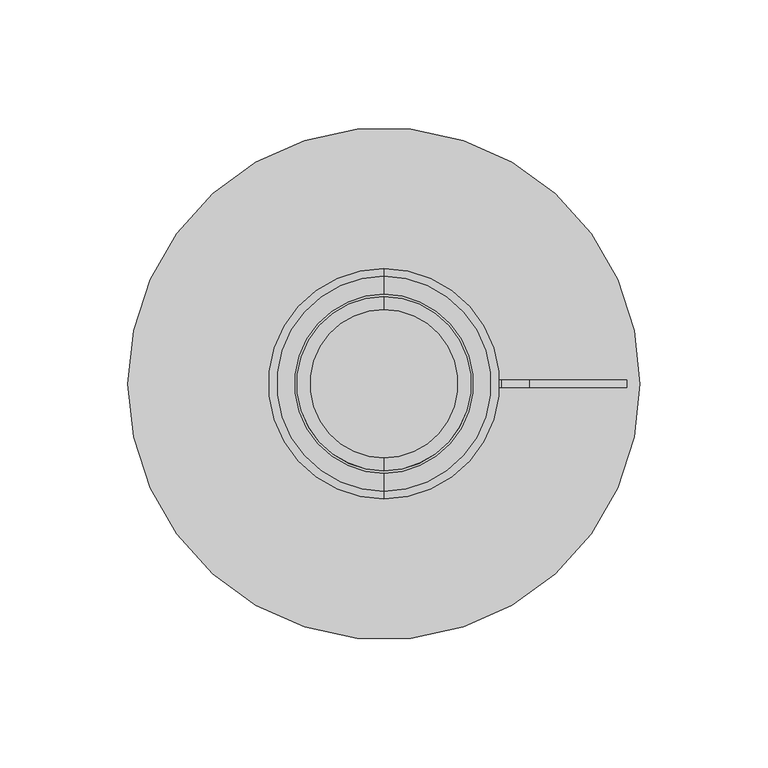
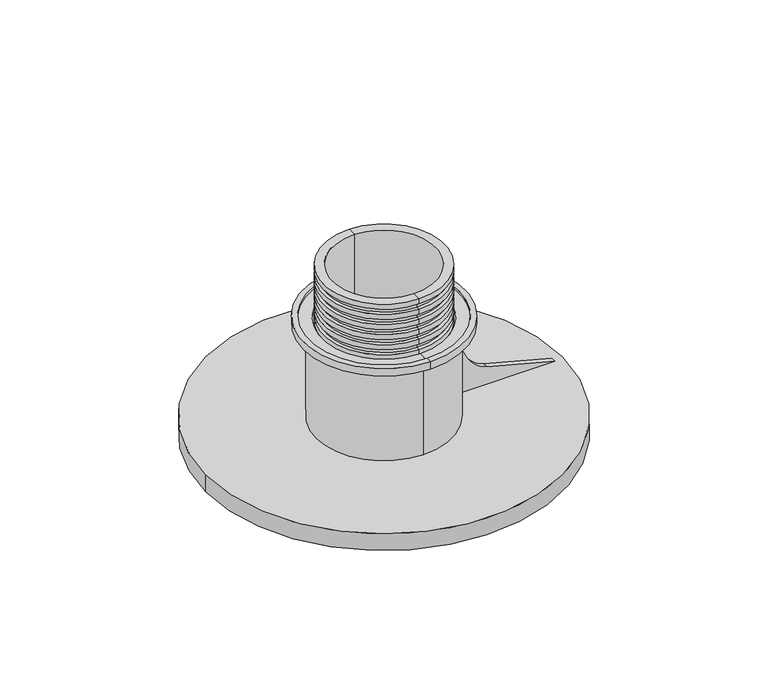
"""IFC4 building model written with IfcOpenShell, lengths in millimetres: proxy geometry."""

from ifc_helpers import new_model, si_unit, point, frame, frame_2d, origin, origin_with_axes, origin_2d, place, context, project, spatial, polyline, circle_curve, trimmed, segment, composite_curve, outline, extrude, source, transform, mapped, element, save
from ifc_brep_helpers import plane_surface, cylinder_surface, revolved_surface, advanced_brep


def generic_models_34566cc8(model_context):
    return source(origin(), model_context, "Body", "SolidModel", [
        advanced_brep(
        [(0.0, 34.0, 100.0), (0.0, -34.0, 100.0), (0.0, -29.0, 100.0), (0.0, 29.0, 100.0), (0.0, 34.0, 96.9707146), (0.0, -34.0, 96.9707146), (0.0, 32.0, 96.9707146), (0.0, -32.0, 96.9707146), (0.0, 32.0, 93.9707146), (0.0, -32.0, 93.9707146), (0.0, 34.0, 93.9707146), (0.0, -34.0, 93.9707146), (0.0, 34.0, 90.9707146), (0.0, -34.0, 90.9707146), (0.0, 32.0, 90.9707146), (0.0, -32.0, 90.9707146), (0.0, 32.0, 87.9707146), (0.0, -32.0, 87.9707146), (0.0, 34.0, 87.9707146), (0.0, -34.0, 87.9707146), (0.0, 34.0, 84.9707146), (0.0, -34.0, 84.9707146), (0.0, 32.0, 84.9707146), (0.0, -32.0, 84.9707146), (0.0, 32.0, 81.9707146), (0.0, -32.0, 81.9707146), (0.0, 34.0, 81.9707146), (0.0, -34.0, 81.9707146), (0.0, 34.0, 78.9707146), (0.0, -34.0, 78.9707146), (0.0, 32.0, 78.9707146), (0.0, -32.0, 78.9707146), (0.0, 32.0, 75.9707146), (0.0, -32.0, 75.9707146), (0.0, 34.0, 75.9707146), (0.0, -34.0, 75.9707146), (0.0, 34.0, 72.9707146), (0.0, -34.0, 72.9707146), (0.0, 32.0, 72.9707146), (0.0, -32.0, 72.9707146), (0.0, 32.0, 69.9707146), (0.0, -32.0, 69.9707146), (0.0, 34.0, 69.9707146), (0.0, -34.0, 69.9707146), (0.0, 34.0, 66.9707146), (0.0, -34.0, 66.9707146), (0.0, 32.0, 66.9707146), (0.0, -32.0, 66.9707146), (0.0, 32.0, 63.9707146), (0.0, -32.0, 63.9707146), (0.0, 34.0, 63.9707146), (0.0, -34.0, 63.9707146), (0.0, 34.0, 60.9707146), (0.0, -34.0, 60.9707146), (0.0, 32.0, 60.9707146), (0.0, -32.0, 60.9707146), (0.0, 32.0, 57.9707146), (0.0, -32.0, 57.9707146), (0.0, 34.0, 57.9707146), (0.0, -34.0, 57.9707146), (0.0, 34.0, 54.9707146), (0.0, -34.0, 54.9707146), (0.0, 32.0, 54.9707146), (0.0, -32.0, 54.9707146), (0.0, 32.0, 51.9707146), (0.0, -32.0, 51.9707146), (0.0, 34.0, 51.9707146), (0.0, -34.0, 51.9707146), (0.0, 34.0, 48.9707146), (0.0, -34.0, 48.9707146), (0.0, 32.0, 48.9707146), (0.0, -32.0, 48.9707146), (0.0, 32.0, 45.9707146), (0.0, -32.0, 45.9707146), (0.0, 34.0, 45.9707146), (0.0, -34.0, 45.9707146), (0.0, 34.0, 42.9707146), (0.0, -34.0, 42.9707146), (0.0, 32.0, 42.9707146), (0.0, -32.0, 42.9707146), (0.0, 32.0, 39.9707146), (0.0, -32.0, 39.9707146), (0.0, 34.0, 39.9707146), (0.0, -34.0, 39.9707146), (0.0, 34.0, 36.9707146), (0.0, -34.0, 36.9707146), (0.0, 32.0, 36.9707146), (0.0, -32.0, 36.9707146), (0.0, 32.0, 33.9707146), (0.0, -32.0, 33.9707146), (0.0, 34.0, 33.9707146), (0.0, -34.0, 33.9707146), (0.0, 34.0, 30.9707146), (0.0, -34.0, 30.9707146), (0.0, 32.0, 30.9707146), (0.0, -32.0, 30.9707146), (0.0, 32.0, 27.9707146), (0.0, -32.0, 27.9707146), (0.0, 34.0, 27.9707146), (0.0, -34.0, 27.9707146), (0.0, 34.0, 25.0), (0.0, -34.0, 25.0), (0.0, 29.0, 25.0), (0.0, -29.0, 25.0)],
        [
            (0, 1, circle_curve(frame((0.0, 0.0, 100.0), z_axis=(0.0, 0.0, 1.0), x_axis=(0.0, -1.0, 0.0)), 34.0)),
            (1, 2),
            (2, 3, circle_curve(frame((0.0, 0.0, 100.0), z_axis=(0.0, 0.0, -1.0), x_axis=(0.0, -1.0, 0.0)), 29.0)),
            (3, 0),
            (1, 0, circle_curve(frame((0.0, 0.0, 100.0), z_axis=(0.0, 0.0, 1.0), x_axis=(0.0, -1.0, 0.0)), 34.0)),
            (3, 2, circle_curve(frame((0.0, 0.0, 100.0), z_axis=(0.0, 0.0, -1.0), x_axis=(0.0, -1.0, 0.0)), 29.0)),
            (4, 5, circle_curve(frame((0.0, 0.0, 96.9707146), z_axis=(0.0, 0.0, 1.0), x_axis=(0.0, -1.0, 0.0)), 34.0)),
            (5, 1),
            (0, 4),
            (5, 4, circle_curve(frame((0.0, 0.0, 96.9707146), z_axis=(0.0, 0.0, 1.0), x_axis=(0.0, -1.0, 0.0)), 34.0)),
            (6, 7, circle_curve(frame((0.0, 0.0, 96.9707146), z_axis=(0.0, 0.0, 1.0), x_axis=(0.0, -1.0, 0.0)), 32.0)),
            (7, 5),
            (4, 6),
            (7, 6, circle_curve(frame((0.0, 0.0, 96.9707146), z_axis=(0.0, 0.0, 1.0), x_axis=(0.0, -1.0, 0.0)), 32.0)),
            (8, 9, circle_curve(frame((0.0, 0.0, 93.9707146), z_axis=(0.0, 0.0, 1.0), x_axis=(0.0, -1.0, 0.0)), 32.0)),
            (9, 7),
            (6, 8),
            (9, 8, circle_curve(frame((0.0, 0.0, 93.9707146), z_axis=(0.0, 0.0, 1.0), x_axis=(0.0, -1.0, 0.0)), 32.0)),
            (10, 11, circle_curve(frame((0.0, 0.0, 93.9707146), z_axis=(0.0, 0.0, 1.0), x_axis=(0.0, -1.0, 0.0)), 34.0)),
            (11, 9),
            (8, 10),
            (11, 10, circle_curve(frame((0.0, 0.0, 93.9707146), z_axis=(0.0, 0.0, 1.0), x_axis=(0.0, -1.0, 0.0)), 34.0)),
            (12, 13, circle_curve(frame((0.0, 0.0, 90.9707146), z_axis=(0.0, 0.0, 1.0), x_axis=(0.0, -1.0, 0.0)), 34.0)),
            (13, 11),
            (10, 12),
            (13, 12, circle_curve(frame((0.0, 0.0, 90.9707146), z_axis=(0.0, 0.0, 1.0), x_axis=(0.0, -1.0, 0.0)), 34.0)),
            (14, 15, circle_curve(frame((0.0, 0.0, 90.9707146), z_axis=(0.0, 0.0, 1.0), x_axis=(0.0, -1.0, 0.0)), 32.0)),
            (15, 13),
            (12, 14),
            (15, 14, circle_curve(frame((0.0, 0.0, 90.9707146), z_axis=(0.0, 0.0, 1.0), x_axis=(0.0, -1.0, 0.0)), 32.0)),
            (16, 17, circle_curve(frame((0.0, 0.0, 87.9707146), z_axis=(0.0, 0.0, 1.0), x_axis=(0.0, -1.0, 0.0)), 32.0)),
            (17, 15),
            (14, 16),
            (17, 16, circle_curve(frame((0.0, 0.0, 87.9707146), z_axis=(0.0, 0.0, 1.0), x_axis=(0.0, -1.0, 0.0)), 32.0)),
            (18, 19, circle_curve(frame((0.0, 0.0, 87.9707146), z_axis=(0.0, 0.0, 1.0), x_axis=(0.0, -1.0, 0.0)), 34.0)),
            (19, 17),
            (16, 18),
            (19, 18, circle_curve(frame((0.0, 0.0, 87.9707146), z_axis=(0.0, 0.0, 1.0), x_axis=(0.0, -1.0, 0.0)), 34.0)),
            (20, 21, circle_curve(frame((0.0, 0.0, 84.9707146), z_axis=(0.0, 0.0, 1.0), x_axis=(0.0, -1.0, 0.0)), 34.0)),
            (21, 19),
            (18, 20),
            (21, 20, circle_curve(frame((0.0, 0.0, 84.9707146), z_axis=(0.0, 0.0, 1.0), x_axis=(0.0, -1.0, 0.0)), 34.0)),
            (22, 23, circle_curve(frame((0.0, 0.0, 84.9707146), z_axis=(0.0, 0.0, 1.0), x_axis=(0.0, -1.0, 0.0)), 32.0)),
            (23, 21),
            (20, 22),
            (23, 22, circle_curve(frame((0.0, 0.0, 84.9707146), z_axis=(0.0, 0.0, 1.0), x_axis=(0.0, -1.0, 0.0)), 32.0)),
            (24, 25, circle_curve(frame((0.0, 0.0, 81.9707146), z_axis=(0.0, 0.0, 1.0), x_axis=(0.0, -1.0, 0.0)), 32.0)),
            (25, 23),
            (22, 24),
            (25, 24, circle_curve(frame((0.0, 0.0, 81.9707146), z_axis=(0.0, 0.0, 1.0), x_axis=(0.0, -1.0, 0.0)), 32.0)),
            (26, 27, circle_curve(frame((0.0, 0.0, 81.9707146), z_axis=(0.0, 0.0, 1.0), x_axis=(0.0, -1.0, 0.0)), 34.0)),
            (27, 25),
            (24, 26),
            (27, 26, circle_curve(frame((0.0, 0.0, 81.9707146), z_axis=(0.0, 0.0, 1.0), x_axis=(0.0, -1.0, 0.0)), 34.0)),
            (28, 29, circle_curve(frame((0.0, 0.0, 78.9707146), z_axis=(0.0, 0.0, 1.0), x_axis=(0.0, -1.0, 0.0)), 34.0)),
            (29, 27),
            (26, 28),
            (29, 28, circle_curve(frame((0.0, 0.0, 78.9707146), z_axis=(0.0, 0.0, 1.0), x_axis=(0.0, -1.0, 0.0)), 34.0)),
            (30, 31, circle_curve(frame((0.0, 0.0, 78.9707146), z_axis=(0.0, 0.0, 1.0), x_axis=(0.0, -1.0, 0.0)), 32.0)),
            (31, 29),
            (28, 30),
            (31, 30, circle_curve(frame((0.0, 0.0, 78.9707146), z_axis=(0.0, 0.0, 1.0), x_axis=(0.0, -1.0, 0.0)), 32.0)),
            (32, 33, circle_curve(frame((0.0, 0.0, 75.9707146), z_axis=(0.0, 0.0, 1.0), x_axis=(0.0, -1.0, 0.0)), 32.0)),
            (33, 31),
            (30, 32),
            (33, 32, circle_curve(frame((0.0, 0.0, 75.9707146), z_axis=(0.0, 0.0, 1.0), x_axis=(0.0, -1.0, 0.0)), 32.0)),
            (34, 35, circle_curve(frame((0.0, 0.0, 75.9707146), z_axis=(0.0, 0.0, 1.0), x_axis=(0.0, -1.0, 0.0)), 34.0)),
            (35, 33),
            (32, 34),
            (35, 34, circle_curve(frame((0.0, 0.0, 75.9707146), z_axis=(0.0, 0.0, 1.0), x_axis=(0.0, -1.0, 0.0)), 34.0)),
            (36, 37, circle_curve(frame((0.0, 0.0, 72.9707146), z_axis=(0.0, 0.0, 1.0), x_axis=(0.0, -1.0, 0.0)), 34.0)),
            (37, 35),
            (34, 36),
            (37, 36, circle_curve(frame((0.0, 0.0, 72.9707146), z_axis=(0.0, 0.0, 1.0), x_axis=(0.0, -1.0, 0.0)), 34.0)),
            (38, 39, circle_curve(frame((0.0, 0.0, 72.9707146), z_axis=(0.0, 0.0, 1.0), x_axis=(0.0, -1.0, 0.0)), 32.0)),
            (39, 37),
            (36, 38),
            (39, 38, circle_curve(frame((0.0, 0.0, 72.9707146), z_axis=(0.0, 0.0, 1.0), x_axis=(0.0, -1.0, 0.0)), 32.0)),
            (40, 41, circle_curve(frame((0.0, 0.0, 69.9707146), z_axis=(0.0, 0.0, 1.0), x_axis=(0.0, -1.0, 0.0)), 32.0)),
            (41, 39),
            (38, 40),
            (41, 40, circle_curve(frame((0.0, 0.0, 69.9707146), z_axis=(0.0, 0.0, 1.0), x_axis=(0.0, -1.0, 0.0)), 32.0)),
            (42, 43, circle_curve(frame((0.0, 0.0, 69.9707146), z_axis=(0.0, 0.0, 1.0), x_axis=(0.0, -1.0, 0.0)), 34.0)),
            (43, 41),
            (40, 42),
            (43, 42, circle_curve(frame((0.0, 0.0, 69.9707146), z_axis=(0.0, 0.0, 1.0), x_axis=(0.0, -1.0, 0.0)), 34.0)),
            (44, 45, circle_curve(frame((0.0, 0.0, 66.9707146), z_axis=(0.0, 0.0, 1.0), x_axis=(0.0, -1.0, 0.0)), 34.0)),
            (45, 43),
            (42, 44),
            (45, 44, circle_curve(frame((0.0, 0.0, 66.9707146), z_axis=(0.0, 0.0, 1.0), x_axis=(0.0, -1.0, 0.0)), 34.0)),
            (46, 47, circle_curve(frame((0.0, 0.0, 66.9707146), z_axis=(0.0, 0.0, 1.0), x_axis=(0.0, -1.0, 0.0)), 32.0)),
            (47, 45),
            (44, 46),
            (47, 46, circle_curve(frame((0.0, 0.0, 66.9707146), z_axis=(0.0, 0.0, 1.0), x_axis=(0.0, -1.0, 0.0)), 32.0)),
            (48, 49, circle_curve(frame((0.0, 0.0, 63.9707146), z_axis=(0.0, 0.0, 1.0), x_axis=(0.0, -1.0, 0.0)), 32.0)),
            (49, 47),
            (46, 48),
            (49, 48, circle_curve(frame((0.0, 0.0, 63.9707146), z_axis=(0.0, 0.0, 1.0), x_axis=(0.0, -1.0, 0.0)), 32.0)),
            (50, 51, circle_curve(frame((0.0, 0.0, 63.9707146), z_axis=(0.0, 0.0, 1.0), x_axis=(0.0, -1.0, 0.0)), 34.0)),
            (51, 49),
            (48, 50),
            (51, 50, circle_curve(frame((0.0, 0.0, 63.9707146), z_axis=(0.0, 0.0, 1.0), x_axis=(0.0, -1.0, 0.0)), 34.0)),
            (52, 53, circle_curve(frame((0.0, 0.0, 60.9707146), z_axis=(0.0, 0.0, 1.0), x_axis=(0.0, -1.0, 0.0)), 34.0)),
            (53, 51),
            (50, 52),
            (53, 52, circle_curve(frame((0.0, 0.0, 60.9707146), z_axis=(0.0, 0.0, 1.0), x_axis=(0.0, -1.0, 0.0)), 34.0)),
            (54, 55, circle_curve(frame((0.0, 0.0, 60.9707146), z_axis=(0.0, 0.0, 1.0), x_axis=(0.0, -1.0, 0.0)), 32.0)),
            (55, 53),
            (52, 54),
            (55, 54, circle_curve(frame((0.0, 0.0, 60.9707146), z_axis=(0.0, 0.0, 1.0), x_axis=(0.0, -1.0, 0.0)), 32.0)),
            (56, 57, circle_curve(frame((0.0, 0.0, 57.9707146), z_axis=(0.0, 0.0, 1.0), x_axis=(0.0, -1.0, 0.0)), 32.0)),
            (57, 55),
            (54, 56),
            (57, 56, circle_curve(frame((0.0, 0.0, 57.9707146), z_axis=(0.0, 0.0, 1.0), x_axis=(0.0, -1.0, 0.0)), 32.0)),
            (58, 59, circle_curve(frame((0.0, 0.0, 57.9707146), z_axis=(0.0, 0.0, 1.0), x_axis=(0.0, -1.0, 0.0)), 34.0)),
            (59, 57),
            (56, 58),
            (59, 58, circle_curve(frame((0.0, 0.0, 57.9707146), z_axis=(0.0, 0.0, 1.0), x_axis=(0.0, -1.0, 0.0)), 34.0)),
            (60, 61, circle_curve(frame((0.0, 0.0, 54.9707146), z_axis=(0.0, 0.0, 1.0), x_axis=(0.0, -1.0, 0.0)), 34.0)),
            (61, 59),
            (58, 60),
            (61, 60, circle_curve(frame((0.0, 0.0, 54.9707146), z_axis=(0.0, 0.0, 1.0), x_axis=(0.0, -1.0, 0.0)), 34.0)),
            (62, 63, circle_curve(frame((0.0, 0.0, 54.9707146), z_axis=(0.0, 0.0, 1.0), x_axis=(0.0, -1.0, 0.0)), 32.0)),
            (63, 61),
            (60, 62),
            (63, 62, circle_curve(frame((0.0, 0.0, 54.9707146), z_axis=(0.0, 0.0, 1.0), x_axis=(0.0, -1.0, 0.0)), 32.0)),
            (64, 65, circle_curve(frame((0.0, 0.0, 51.9707146), z_axis=(0.0, 0.0, 1.0), x_axis=(0.0, -1.0, 0.0)), 32.0)),
            (65, 63),
            (62, 64),
            (65, 64, circle_curve(frame((0.0, 0.0, 51.9707146), z_axis=(0.0, 0.0, 1.0), x_axis=(0.0, -1.0, 0.0)), 32.0)),
            (66, 67, circle_curve(frame((0.0, 0.0, 51.9707146), z_axis=(0.0, 0.0, 1.0), x_axis=(0.0, -1.0, 0.0)), 34.0)),
            (67, 65),
            (64, 66),
            (67, 66, circle_curve(frame((0.0, 0.0, 51.9707146), z_axis=(0.0, 0.0, 1.0), x_axis=(0.0, -1.0, 0.0)), 34.0)),
            (68, 69, circle_curve(frame((0.0, 0.0, 48.9707146), z_axis=(0.0, 0.0, 1.0), x_axis=(0.0, -1.0, 0.0)), 34.0)),
            (69, 67),
            (66, 68),
            (69, 68, circle_curve(frame((0.0, 0.0, 48.9707146), z_axis=(0.0, 0.0, 1.0), x_axis=(0.0, -1.0, 0.0)), 34.0)),
            (70, 71, circle_curve(frame((0.0, 0.0, 48.9707146), z_axis=(0.0, 0.0, 1.0), x_axis=(0.0, -1.0, 0.0)), 32.0)),
            (71, 69),
            (68, 70),
            (71, 70, circle_curve(frame((0.0, 0.0, 48.9707146), z_axis=(0.0, 0.0, 1.0), x_axis=(0.0, -1.0, 0.0)), 32.0)),
            (72, 73, circle_curve(frame((0.0, 0.0, 45.9707146), z_axis=(0.0, 0.0, 1.0), x_axis=(0.0, -1.0, 0.0)), 32.0)),
            (73, 71),
            (70, 72),
            (73, 72, circle_curve(frame((0.0, 0.0, 45.9707146), z_axis=(0.0, 0.0, 1.0), x_axis=(0.0, -1.0, 0.0)), 32.0)),
            (74, 75, circle_curve(frame((0.0, 0.0, 45.9707146), z_axis=(0.0, 0.0, 1.0), x_axis=(0.0, -1.0, 0.0)), 34.0)),
            (75, 73),
            (72, 74),
            (75, 74, circle_curve(frame((0.0, 0.0, 45.9707146), z_axis=(0.0, 0.0, 1.0), x_axis=(0.0, -1.0, 0.0)), 34.0)),
            (76, 77, circle_curve(frame((0.0, 0.0, 42.9707146), z_axis=(0.0, 0.0, 1.0), x_axis=(0.0, -1.0, 0.0)), 34.0)),
            (77, 75),
            (74, 76),
            (77, 76, circle_curve(frame((0.0, 0.0, 42.9707146), z_axis=(0.0, 0.0, 1.0), x_axis=(0.0, -1.0, 0.0)), 34.0)),
            (78, 79, circle_curve(frame((0.0, 0.0, 42.9707146), z_axis=(0.0, 0.0, 1.0), x_axis=(0.0, -1.0, 0.0)), 32.0)),
            (79, 77),
            (76, 78),
            (79, 78, circle_curve(frame((0.0, 0.0, 42.9707146), z_axis=(0.0, 0.0, 1.0), x_axis=(0.0, -1.0, 0.0)), 32.0)),
            (80, 81, circle_curve(frame((0.0, 0.0, 39.9707146), z_axis=(0.0, 0.0, 1.0), x_axis=(0.0, -1.0, 0.0)), 32.0)),
            (81, 79),
            (78, 80),
            (81, 80, circle_curve(frame((0.0, 0.0, 39.9707146), z_axis=(0.0, 0.0, 1.0), x_axis=(0.0, -1.0, 0.0)), 32.0)),
            (82, 83, circle_curve(frame((0.0, 0.0, 39.9707146), z_axis=(0.0, 0.0, 1.0), x_axis=(0.0, -1.0, 0.0)), 34.0)),
            (83, 81),
            (80, 82),
            (83, 82, circle_curve(frame((0.0, 0.0, 39.9707146), z_axis=(0.0, 0.0, 1.0), x_axis=(0.0, -1.0, 0.0)), 34.0)),
            (84, 85, circle_curve(frame((0.0, 0.0, 36.9707146), z_axis=(0.0, 0.0, 1.0), x_axis=(0.0, -1.0, 0.0)), 34.0)),
            (85, 83),
            (82, 84),
            (85, 84, circle_curve(frame((0.0, 0.0, 36.9707146), z_axis=(0.0, 0.0, 1.0), x_axis=(0.0, -1.0, 0.0)), 34.0)),
            (86, 87, circle_curve(frame((0.0, 0.0, 36.9707146), z_axis=(0.0, 0.0, 1.0), x_axis=(0.0, -1.0, 0.0)), 32.0)),
            (87, 85),
            (84, 86),
            (87, 86, circle_curve(frame((0.0, 0.0, 36.9707146), z_axis=(0.0, 0.0, 1.0), x_axis=(0.0, -1.0, 0.0)), 32.0)),
            (88, 89, circle_curve(frame((0.0, 0.0, 33.9707146), z_axis=(0.0, 0.0, 1.0), x_axis=(0.0, -1.0, 0.0)), 32.0)),
            (89, 87),
            (86, 88),
            (89, 88, circle_curve(frame((0.0, 0.0, 33.9707146), z_axis=(0.0, 0.0, 1.0), x_axis=(0.0, -1.0, 0.0)), 32.0)),
            (90, 91, circle_curve(frame((0.0, 0.0, 33.9707146), z_axis=(0.0, 0.0, 1.0), x_axis=(0.0, -1.0, 0.0)), 34.0)),
            (91, 89),
            (88, 90),
            (91, 90, circle_curve(frame((0.0, 0.0, 33.9707146), z_axis=(0.0, 0.0, 1.0), x_axis=(0.0, -1.0, 0.0)), 34.0)),
            (92, 93, circle_curve(frame((0.0, 0.0, 30.9707146), z_axis=(0.0, 0.0, 1.0), x_axis=(0.0, -1.0, 0.0)), 34.0)),
            (93, 91),
            (90, 92),
            (93, 92, circle_curve(frame((0.0, 0.0, 30.9707146), z_axis=(0.0, 0.0, 1.0), x_axis=(0.0, -1.0, 0.0)), 34.0)),
            (94, 95, circle_curve(frame((0.0, 0.0, 30.9707146), z_axis=(0.0, 0.0, 1.0), x_axis=(0.0, -1.0, 0.0)), 32.0)),
            (95, 93),
            (92, 94),
            (95, 94, circle_curve(frame((0.0, 0.0, 30.9707146), z_axis=(0.0, 0.0, 1.0), x_axis=(0.0, -1.0, 0.0)), 32.0)),
            (96, 97, circle_curve(frame((0.0, 0.0, 27.9707146), z_axis=(0.0, 0.0, 1.0), x_axis=(0.0, -1.0, 0.0)), 32.0)),
            (97, 95),
            (94, 96),
            (97, 96, circle_curve(frame((0.0, 0.0, 27.9707146), z_axis=(0.0, 0.0, 1.0), x_axis=(0.0, -1.0, 0.0)), 32.0)),
            (98, 99, circle_curve(frame((0.0, 0.0, 27.9707146), z_axis=(0.0, 0.0, 1.0), x_axis=(0.0, -1.0, 0.0)), 34.0)),
            (99, 97),
            (96, 98),
            (99, 98, circle_curve(frame((0.0, 0.0, 27.9707146), z_axis=(0.0, 0.0, 1.0), x_axis=(0.0, -1.0, 0.0)), 34.0)),
            (100, 101, circle_curve(frame((0.0, 0.0, 25.0), z_axis=(0.0, 0.0, 1.0), x_axis=(0.0, -1.0, 0.0)), 34.0)),
            (101, 99),
            (98, 100),
            (101, 100, circle_curve(frame((0.0, 0.0, 25.0), z_axis=(0.0, 0.0, 1.0), x_axis=(0.0, -1.0, 0.0)), 34.0)),
            (102, 103, circle_curve(frame((0.0, 0.0, 25.0), z_axis=(0.0, 0.0, 1.0), x_axis=(0.0, -1.0, 0.0)), 29.0)),
            (103, 101),
            (100, 102),
            (103, 102, circle_curve(frame((0.0, 0.0, 25.0), z_axis=(0.0, 0.0, 1.0), x_axis=(0.0, -1.0, 0.0)), 29.0)),
            (2, 103),
            (102, 3),
        ],
        [
            plane_surface(frame((0.0, 0.0, 100.0), z_axis=(0.0, 0.0, 1.0), x_axis=(0.0, -1.0, 0.0))),
            cylinder_surface(frame((0.0, 0.0, 100.0), z_axis=(0.0, 0.0, -1.0), x_axis=(0.0, -1.0, 0.0)), 34.0),
            plane_surface(frame((0.0, 0.0, 96.9707146), z_axis=(0.0, 0.0, -1.0), x_axis=(0.0, -1.0, 0.0))),
            cylinder_surface(frame((0.0, 0.0, 100.0), z_axis=(0.0, 0.0, -1.0), x_axis=(0.0, -1.0, 0.0)), 32.0),
            plane_surface(frame((0.0, 0.0, 93.9707146), z_axis=(0.0, 0.0, 1.0), x_axis=(0.0, -1.0, 0.0))),
            plane_surface(frame((0.0, 0.0, 90.9707146), z_axis=(0.0, 0.0, -1.0), x_axis=(0.0, -1.0, 0.0))),
            plane_surface(frame((0.0, 0.0, 87.9707146), z_axis=(0.0, 0.0, 1.0), x_axis=(0.0, -1.0, 0.0))),
            plane_surface(frame((0.0, 0.0, 84.9707146), z_axis=(0.0, 0.0, -1.0), x_axis=(0.0, -1.0, 0.0))),
            plane_surface(frame((0.0, 0.0, 81.9707146), z_axis=(0.0, 0.0, 1.0), x_axis=(0.0, -1.0, 0.0))),
            plane_surface(frame((0.0, 0.0, 78.9707146), z_axis=(0.0, 0.0, -1.0), x_axis=(0.0, -1.0, 0.0))),
            plane_surface(frame((0.0, 0.0, 75.9707146), z_axis=(0.0, 0.0, 1.0), x_axis=(0.0, -1.0, 0.0))),
            plane_surface(frame((0.0, 0.0, 72.9707146), z_axis=(0.0, 0.0, -1.0), x_axis=(0.0, -1.0, 0.0))),
            plane_surface(frame((0.0, 0.0, 69.9707146), z_axis=(0.0, 0.0, 1.0), x_axis=(0.0, -1.0, 0.0))),
            plane_surface(frame((0.0, 0.0, 66.9707146), z_axis=(0.0, 0.0, -1.0), x_axis=(0.0, -1.0, 0.0))),
            plane_surface(frame((0.0, 0.0, 63.9707146), z_axis=(0.0, 0.0, 1.0), x_axis=(0.0, -1.0, 0.0))),
            plane_surface(frame((0.0, 0.0, 60.9707146), z_axis=(0.0, 0.0, -1.0), x_axis=(0.0, -1.0, 0.0))),
            plane_surface(frame((0.0, 0.0, 57.9707146), z_axis=(0.0, 0.0, 1.0), x_axis=(0.0, -1.0, 0.0))),
            plane_surface(frame((0.0, 0.0, 54.9707146), z_axis=(0.0, 0.0, -1.0), x_axis=(0.0, -1.0, 0.0))),
            plane_surface(frame((0.0, 0.0, 51.9707146), z_axis=(0.0, 0.0, 1.0), x_axis=(0.0, -1.0, 0.0))),
            plane_surface(frame((0.0, 0.0, 48.9707146), z_axis=(0.0, 0.0, -1.0), x_axis=(0.0, -1.0, 0.0))),
            plane_surface(frame((0.0, 0.0, 45.9707146), z_axis=(0.0, 0.0, 1.0), x_axis=(0.0, -1.0, 0.0))),
            plane_surface(frame((0.0, 0.0, 42.9707146), z_axis=(0.0, 0.0, -1.0), x_axis=(0.0, -1.0, 0.0))),
            plane_surface(frame((0.0, 0.0, 39.9707146), z_axis=(0.0, 0.0, 1.0), x_axis=(0.0, -1.0, 0.0))),
            plane_surface(frame((0.0, 0.0, 36.9707146), z_axis=(0.0, 0.0, -1.0), x_axis=(0.0, -1.0, 0.0))),
            plane_surface(frame((0.0, 0.0, 33.9707146), z_axis=(0.0, 0.0, 1.0), x_axis=(0.0, -1.0, 0.0))),
            plane_surface(frame((0.0, 0.0, 30.9707146), z_axis=(0.0, 0.0, -1.0), x_axis=(0.0, -1.0, 0.0))),
            plane_surface(frame((0.0, 0.0, 27.9707146), z_axis=(0.0, 0.0, 1.0), x_axis=(0.0, -1.0, 0.0))),
            plane_surface(frame((0.0, 0.0, 25.0), z_axis=(0.0, 0.0, -1.0), x_axis=(0.0, -1.0, 0.0))),
            revolved_surface(polyline([(0.0, -29.0, 25.0), (0.0, -29.0, 100.0)]), (0.0, 0.0, 100.0), (0.0, 0.0, -1.0)),
        ],
        [
            (0, [[1, 2, 3, 4]]),
            (0, [[5, -4, 6, -2]]),
            (1, [[7, 8, -1, 9]]),
            (1, [[10, -9, -5, -8]]),
            (2, [[11, 12, -7, 13]]),
            (2, [[14, -13, -10, -12]]),
            (3, [[15, 16, -11, 17]]),
            (3, [[18, -17, -14, -16]]),
            (4, [[19, 20, -15, 21]]),
            (4, [[22, -21, -18, -20]]),
            (1, [[23, 24, -19, 25]]),
            (1, [[26, -25, -22, -24]]),
            (5, [[27, 28, -23, 29]]),
            (5, [[30, -29, -26, -28]]),
            (3, [[31, 32, -27, 33]]),
            (3, [[34, -33, -30, -32]]),
            (6, [[35, 36, -31, 37]]),
            (6, [[38, -37, -34, -36]]),
            (1, [[39, 40, -35, 41]]),
            (1, [[42, -41, -38, -40]]),
            (7, [[43, 44, -39, 45]]),
            (7, [[46, -45, -42, -44]]),
            (3, [[47, 48, -43, 49]]),
            (3, [[50, -49, -46, -48]]),
            (8, [[51, 52, -47, 53]]),
            (8, [[54, -53, -50, -52]]),
            (1, [[55, 56, -51, 57]]),
            (1, [[58, -57, -54, -56]]),
            (9, [[59, 60, -55, 61]]),
            (9, [[62, -61, -58, -60]]),
            (3, [[63, 64, -59, 65]]),
            (3, [[66, -65, -62, -64]]),
            (10, [[67, 68, -63, 69]]),
            (10, [[70, -69, -66, -68]]),
            (1, [[71, 72, -67, 73]]),
            (1, [[74, -73, -70, -72]]),
            (11, [[75, 76, -71, 77]]),
            (11, [[78, -77, -74, -76]]),
            (3, [[79, 80, -75, 81]]),
            (3, [[82, -81, -78, -80]]),
            (12, [[83, 84, -79, 85]]),
            (12, [[86, -85, -82, -84]]),
            (1, [[87, 88, -83, 89]]),
            (1, [[90, -89, -86, -88]]),
            (13, [[91, 92, -87, 93]]),
            (13, [[94, -93, -90, -92]]),
            (3, [[95, 96, -91, 97]]),
            (3, [[98, -97, -94, -96]]),
            (14, [[99, 100, -95, 101]]),
            (14, [[102, -101, -98, -100]]),
            (1, [[103, 104, -99, 105]]),
            (1, [[106, -105, -102, -104]]),
            (15, [[107, 108, -103, 109]]),
            (15, [[110, -109, -106, -108]]),
            (3, [[111, 112, -107, 113]]),
            (3, [[114, -113, -110, -112]]),
            (16, [[115, 116, -111, 117]]),
            (16, [[118, -117, -114, -116]]),
            (1, [[119, 120, -115, 121]]),
            (1, [[122, -121, -118, -120]]),
            (17, [[123, 124, -119, 125]]),
            (17, [[126, -125, -122, -124]]),
            (3, [[127, 128, -123, 129]]),
            (3, [[130, -129, -126, -128]]),
            (18, [[131, 132, -127, 133]]),
            (18, [[134, -133, -130, -132]]),
            (1, [[135, 136, -131, 137]]),
            (1, [[138, -137, -134, -136]]),
            (19, [[139, 140, -135, 141]]),
            (19, [[142, -141, -138, -140]]),
            (3, [[143, 144, -139, 145]]),
            (3, [[146, -145, -142, -144]]),
            (20, [[147, 148, -143, 149]]),
            (20, [[150, -149, -146, -148]]),
            (1, [[151, 152, -147, 153]]),
            (1, [[154, -153, -150, -152]]),
            (21, [[155, 156, -151, 157]]),
            (21, [[158, -157, -154, -156]]),
            (3, [[159, 160, -155, 161]]),
            (3, [[162, -161, -158, -160]]),
            (22, [[163, 164, -159, 165]]),
            (22, [[166, -165, -162, -164]]),
            (1, [[167, 168, -163, 169]]),
            (1, [[170, -169, -166, -168]]),
            (23, [[171, 172, -167, 173]]),
            (23, [[174, -173, -170, -172]]),
            (3, [[175, 176, -171, 177]]),
            (3, [[178, -177, -174, -176]]),
            (24, [[179, 180, -175, 181]]),
            (24, [[182, -181, -178, -180]]),
            (1, [[183, 184, -179, 185]]),
            (1, [[186, -185, -182, -184]]),
            (25, [[187, 188, -183, 189]]),
            (25, [[190, -189, -186, -188]]),
            (3, [[191, 192, -187, 193]]),
            (3, [[194, -193, -190, -192]]),
            (26, [[195, 196, -191, 197]]),
            (26, [[198, -197, -194, -196]]),
            (1, [[199, 200, -195, 201]]),
            (1, [[202, -201, -198, -200]]),
            (27, [[203, 204, -199, 205]]),
            (27, [[206, -205, -202, -204]]),
            (28, [[-3, 207, -203, 208]]),
            (28, [[-6, -208, -206, -207]]),
        ],
    ),
        advanced_brep(
        [(0.0, 38.0, 10.0), (0.0, -38.0, 10.0), (0.0, -38.0, 65.0), (0.0, 38.0, 65.0), (0.0, 35.0, 10.0), (0.0, -35.0, 10.0), (0.0, 35.0, 68.0), (0.0, -35.0, 68.0), (0.0, 42.0, 68.0), (0.0, -42.0, 68.0), (0.0, 42.0, 69.5), (0.0, -42.0, 69.5), (0.0, 45.0, 69.5), (0.0, -45.0, 69.5), (0.0, 45.0, 65.0), (0.0, -45.0, 65.0)],
        [
            (0, 1, circle_curve(frame((0.0, 0.0, 10.0), z_axis=(0.0, 0.0, 1.0), x_axis=(0.0, -1.0, 0.0)), 38.0)),
            (1, 2),
            (2, 3, circle_curve(frame((0.0, 0.0, 65.0), z_axis=(0.0, 0.0, -1.0), x_axis=(0.0, -1.0, 0.0)), 38.0)),
            (3, 0),
            (1, 0, circle_curve(frame((0.0, 0.0, 10.0), z_axis=(0.0, 0.0, 1.0), x_axis=(0.0, -1.0, 0.0)), 38.0)),
            (3, 2, circle_curve(frame((0.0, 0.0, 65.0), z_axis=(0.0, 0.0, -1.0), x_axis=(0.0, -1.0, 0.0)), 38.0)),
            (4, 5, circle_curve(frame((0.0, 0.0, 10.0), z_axis=(0.0, 0.0, 1.0), x_axis=(0.0, -1.0, 0.0)), 35.0)),
            (5, 1),
            (0, 4),
            (5, 4, circle_curve(frame((0.0, 0.0, 10.0), z_axis=(0.0, 0.0, 1.0), x_axis=(0.0, -1.0, 0.0)), 35.0)),
            (6, 7, circle_curve(frame((0.0, 0.0, 68.0), z_axis=(0.0, 0.0, 1.0), x_axis=(0.0, -1.0, 0.0)), 35.0)),
            (7, 5),
            (4, 6),
            (7, 6, circle_curve(frame((0.0, 0.0, 68.0), z_axis=(0.0, 0.0, 1.0), x_axis=(0.0, -1.0, 0.0)), 35.0)),
            (8, 9, circle_curve(frame((0.0, 0.0, 68.0), z_axis=(0.0, 0.0, 1.0), x_axis=(0.0, -1.0, 0.0)), 42.0)),
            (9, 7),
            (6, 8),
            (9, 8, circle_curve(frame((0.0, 0.0, 68.0), z_axis=(0.0, 0.0, 1.0), x_axis=(0.0, -1.0, 0.0)), 42.0)),
            (10, 11, circle_curve(frame((0.0, 0.0, 69.5), z_axis=(0.0, 0.0, 1.0), x_axis=(0.0, -1.0, 0.0)), 42.0)),
            (11, 9),
            (8, 10),
            (11, 10, circle_curve(frame((0.0, 0.0, 69.5), z_axis=(0.0, 0.0, 1.0), x_axis=(0.0, -1.0, 0.0)), 42.0)),
            (12, 13, circle_curve(frame((0.0, 0.0, 69.5), z_axis=(0.0, 0.0, 1.0), x_axis=(0.0, -1.0, 0.0)), 45.0)),
            (13, 11),
            (10, 12),
            (13, 12, circle_curve(frame((0.0, 0.0, 69.5), z_axis=(0.0, 0.0, 1.0), x_axis=(0.0, -1.0, 0.0)), 45.0)),
            (14, 15, circle_curve(frame((0.0, 0.0, 65.0), z_axis=(0.0, 0.0, 1.0), x_axis=(0.0, -1.0, 0.0)), 45.0)),
            (15, 13),
            (12, 14),
            (15, 14, circle_curve(frame((0.0, 0.0, 65.0), z_axis=(0.0, 0.0, 1.0), x_axis=(0.0, -1.0, 0.0)), 45.0)),
            (2, 15),
            (14, 3),
        ],
        [
            cylinder_surface(frame((0.0, 0.0, 120.0), z_axis=(0.0, 0.0, -1.0), x_axis=(0.0, -1.0, 0.0)), 38.0),
            plane_surface(frame((0.0, 0.0, 10.0), z_axis=(0.0, 0.0, -1.0), x_axis=(0.0, -1.0, 0.0))),
            revolved_surface(polyline([(0.0, -35.0, 10.0), (0.0, -35.0, 68.0)]), (0.0, 0.0, 120.0), (0.0, 0.0, -1.0)),
            plane_surface(frame((0.0, 0.0, 68.0), z_axis=(0.0, 0.0, 1.0), x_axis=(0.0, -1.0, 0.0))),
            revolved_surface(polyline([(0.0, -42.0, 68.0), (0.0, -42.0, 69.5)]), (0.0, 0.0, 120.0), (0.0, 0.0, -1.0)),
            plane_surface(frame((0.0, 0.0, 69.5), z_axis=(0.0, 0.0, 1.0), x_axis=(0.0, -1.0, 0.0))),
            cylinder_surface(frame((0.0, 0.0, 120.0), z_axis=(0.0, 0.0, -1.0), x_axis=(0.0, -1.0, 0.0)), 45.0),
            plane_surface(frame((0.0, 0.0, 65.0), z_axis=(0.0, 0.0, -1.0), x_axis=(0.0, -1.0, 0.0))),
        ],
        [
            (0, [[1, 2, 3, 4]]),
            (0, [[5, -4, 6, -2]]),
            (1, [[7, 8, -1, 9]]),
            (1, [[10, -9, -5, -8]]),
            (2, [[11, 12, -7, 13]]),
            (2, [[14, -13, -10, -12]]),
            (3, [[15, 16, -11, 17]]),
            (3, [[18, -17, -14, -16]]),
            (4, [[19, 20, -15, 21]]),
            (4, [[22, -21, -18, -20]]),
            (5, [[23, 24, -19, 25]]),
            (5, [[26, -25, -22, -24]]),
            (6, [[27, 28, -23, 29]]),
            (6, [[30, -29, -26, -28]]),
            (7, [[-3, 31, -27, 32]]),
            (7, [[-6, -32, -30, -31]]),
        ],
    ),
        extrude(outline(composite_curve([segment(polyline([(45.0, 37.9), (10.0, 37.9), (10.0, 94.8756523), (20.1606645, 56.9555363)]), True, "CONTINUOUS"), segment(trimmed(circle_curve(frame_2d((36.9196657, 61.4460972)), 17.3501948), [point((20.1606645, 56.9555363))], [point((29.0764802, 45.969867))], True, "CARTESIAN"), True, "CONTINUOUS"), segment(polyline([(29.0764802, 45.969867), (45.0, 37.9)]), True, "CONTINUOUS")], self_intersect=False)), frame((0.0, -1.5, 0.0), z_axis=(0.0, 1.0, 0.0), x_axis=(0.0, 0.0, 1.0)), (0.0, 0.0, 1.0), 3.0),
        extrude(outline(composite_curve([segment(trimmed(circle_curve(origin_2d(), 100.0), [point((-100.0, 0.0))], [point((100.0, 0.0))], False, "CARTESIAN"), True, "CONTINUOUS"), segment(trimmed(circle_curve(origin_2d(), 100.0), [point((100.0, 0.0))], [point((-100.0, 0.0))], False, "CARTESIAN"), True, "CONTINUOUS")], self_intersect=False)), origin_with_axes(), (0.0, 0.0, 1.0), 10.0),
    ])


if __name__ == "__main__":
    model = new_model("IFC4")
    model_context = context("Model", 3, world=origin())
    ifc_project = project(units=[si_unit("LENGTHUNIT", "METRE", prefix="MILLI")], contexts=[model_context])
    site = spatial("IfcSite", under=ifc_project)
    building = spatial("IfcBuilding", under=site)
    placement = place(None, origin())
    generic_models_shape = generic_models_34566cc8(model_context)
    element("IfcBuildingElementProxy", 1, Name="Generic Models", at=placement, inside=building, context=model_context, shape_type="MappedRepresentation", body=[
        mapped(generic_models_shape, transform((0.0, 0.0, 0.0), x_axis=(1.0, 0.0, 0.0), y_axis=(0.0, 1.0, 0.0), z_axis=(0.0, 0.0, 1.0))),
    ])
    save(model, "model.ifc")
